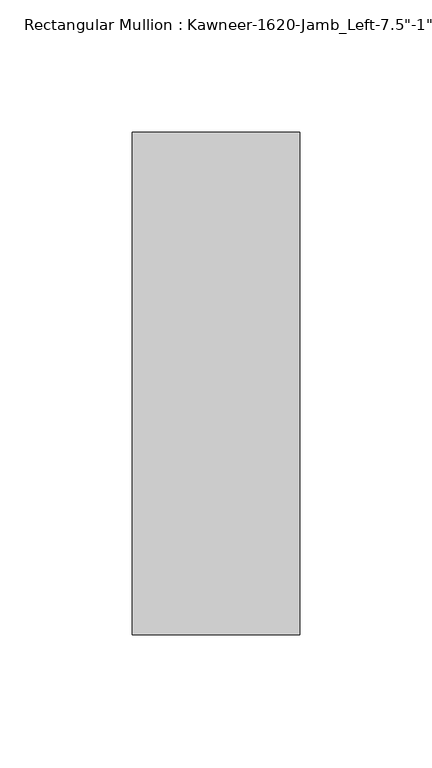
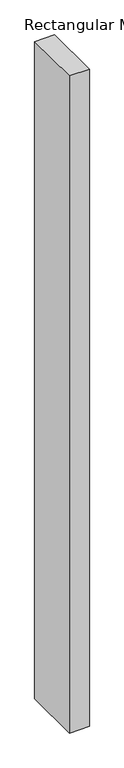
"""IFC4 building model written with IfcOpenShell, lengths in millimetres: member geometry."""

from ifc_helpers import new_model, si_unit, frame, origin, place, context, project, spatial, polyline, outline, extrude, source, transform, mapped, element, save


def member_4d12d866(model_context):
    return source(origin(), model_context, "Body", "SweptSolid", [
        extrude(outline(polyline([(-63.5, 38.1), (0.0, 38.1), (0.0, -152.4), (-63.5, -152.4), (-63.5, 38.1)])), frame((0.0, 0.0, -2206.625), z_axis=(0.0, 0.0, 1.0), x_axis=(1.0, 0.0, 0.0)), (0.0, 0.0, 1.0), 2206.625),
    ])


if __name__ == "__main__":
    model = new_model("IFC4")
    model_context = context("Model", 3, world=origin())
    ifc_project = project(units=[si_unit("LENGTHUNIT", "METRE", prefix="MILLI")], contexts=[model_context])
    site = spatial("IfcSite", under=ifc_project)
    building = spatial("IfcBuilding", under=site)
    placement = place(None, origin())
    member_shape = member_4d12d866(model_context)
    element("IfcMember", 1, ObjectType="Rectangular Mullion : Kawneer-1620-Jamb_Left-7.5\"-1\"Infill", at=placement, inside=building, context=model_context, shape_type="MappedRepresentation", body=[
        mapped(member_shape, transform((0.0, 0.0, 0.0), x_axis=(1.0, 0.0, 0.0), y_axis=(0.0, 1.0, 0.0), z_axis=(0.0, 0.0, 1.0))),
    ])
    save(model, "model.ifc")
